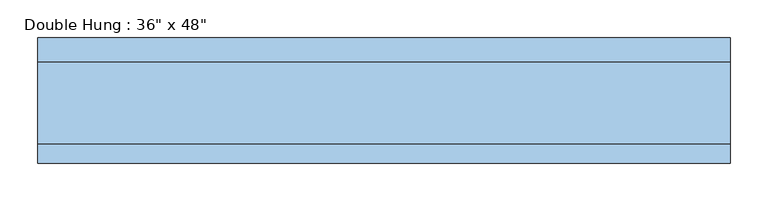
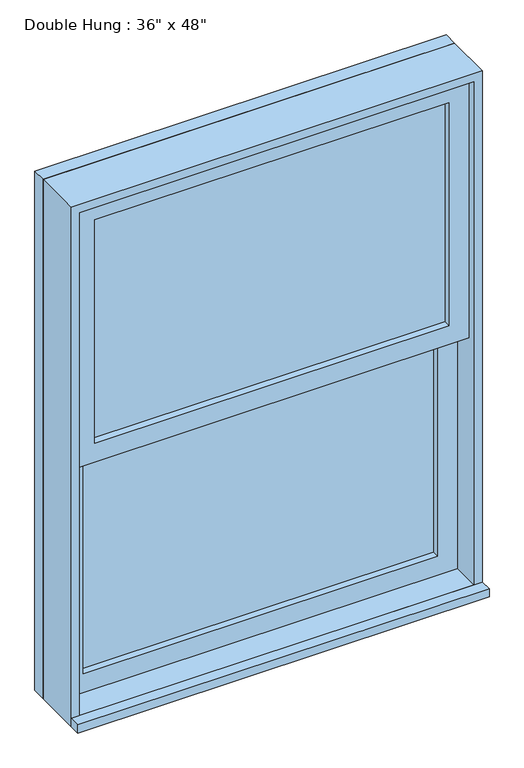
"""IFC4 building model written with IfcOpenShell, lengths in millimetres: window geometry."""

from ifc_helpers import new_model, si_unit, frame, origin, place, context, project, spatial, polyline, outline, extrude, source, transform, mapped, element, save


def window_389e6d85(model_context):
    return source(origin(), model_context, "Body", "SweptSolid", [
        extrude(outline(polyline([(-393.7, 9.525), (-393.7, 22.225), (393.7, 22.225), (393.7, 9.525), (-393.7, 9.525)])), frame((0.0, 0.0, 977.9), z_axis=(0.0, 0.0, 1.0), x_axis=(1.0, 0.0, 0.0)), (0.0, 0.0, 1.0), 523.875),
        extrude(outline(polyline([(1546.225, -438.15), (933.45, -438.15), (933.45, 438.15), (1546.225, 438.15), (1546.225, -438.15)]), holes=[polyline([(1501.775, -393.7), (1501.775, 393.7), (977.9, 393.7), (977.9, -393.7), (1501.775, -393.7)])]), frame((0.0, -6.35, 0.0), z_axis=(0.0, 1.0, 0.0), x_axis=(0.0, 0.0, 1.0)), (0.0, 0.0, 1.0), 44.45),
        extrude(outline(polyline([(-457.2, -95.25), (-457.2, -69.85), (457.2, -69.85), (457.2, -95.25), (-457.2, -95.25)])), frame((0.0, 0.0, 914.4), z_axis=(0.0, 0.0, 1.0), x_axis=(1.0, 0.0, 0.0)), (0.0, 0.0, 1.0), 19.05),
        extrude(outline(polyline([(393.7, -22.225), (393.7, -34.925), (-393.7, -34.925), (-393.7, -22.225), (393.7, -22.225)])), frame((0.0, 0.0, 1546.225), z_axis=(0.0, 0.0, 1.0), x_axis=(1.0, 0.0, 0.0)), (0.0, 0.0, 1.0), 523.875),
        extrude(outline(polyline([(2114.55, -438.15), (1501.775, -438.15), (1501.775, 438.15), (2114.55, 438.15), (2114.55, -438.15)]), holes=[polyline([(2070.1, -393.7), (2070.1, 393.7), (1546.225, 393.7), (1546.225, -393.7), (2070.1, -393.7)])]), frame((0.0, -50.8, 0.0), z_axis=(0.0, 1.0, 0.0), x_axis=(0.0, 0.0, 1.0)), (0.0, 0.0, 1.0), 44.45),
        extrude(outline(polyline([(2133.6, -457.2), (914.4, -457.2), (914.4, 457.2), (2133.6, 457.2), (2133.6, -457.2)]), holes=[polyline([(2101.85, -425.45), (2101.85, 425.45), (946.15, 425.45), (946.15, -425.45), (2101.85, -425.45)])]), frame((0.0, 38.1, 0.0), z_axis=(0.0, 1.0, 0.0), x_axis=(0.0, 0.0, 1.0)), (0.0, 0.0, 1.0), 31.75),
        extrude(outline(polyline([(2133.6, 457.2), (2133.6, -457.2), (914.4, -457.2), (914.4, 457.2), (2133.6, 457.2)]), holes=[polyline([(2114.55, 438.15), (933.45, 438.15), (933.45, -438.15), (2114.55, -438.15), (2114.55, 438.15)])]), frame((0.0, -69.85, 0.0), z_axis=(0.0, 1.0, 0.0), x_axis=(0.0, 0.0, 1.0)), (0.0, 0.0, 1.0), 107.95),
    ])


if __name__ == "__main__":
    model = new_model("IFC4")
    model_context = context("Model", 3, world=origin())
    ifc_project = project(units=[si_unit("LENGTHUNIT", "METRE", prefix="MILLI")], contexts=[model_context])
    site = spatial("IfcSite", under=ifc_project)
    building = spatial("IfcBuilding", under=site)
    placement = place(None, origin())
    window_shape = window_389e6d85(model_context)
    element("IfcWindow", 1, ObjectType="Double Hung : 36\" x 48\"", at=placement, inside=building, context=model_context, shape_type="MappedRepresentation", body=[
        mapped(window_shape, transform((0.0, 0.0, 0.0), x_axis=(1.0, 0.0, 0.0), y_axis=(0.0, 1.0, 0.0), z_axis=(0.0, 0.0, 1.0))),
    ])
    save(model, "model.ifc")
